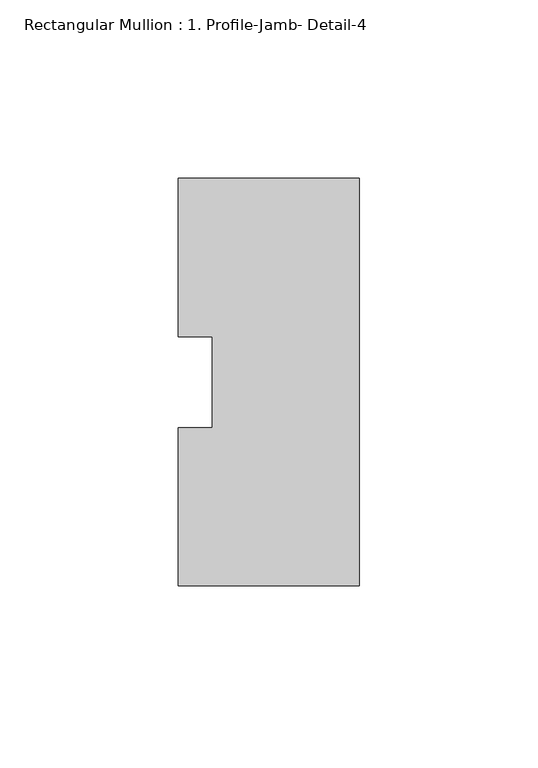
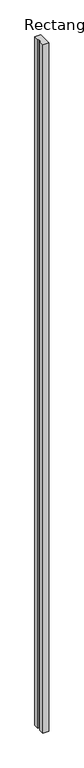
"""IFC4 building model written with IfcOpenShell, lengths in millimetres: member geometry, Rectangular Mullion : 1. Profile-Jamb- Detail-4."""

from ifc_helpers import new_model, si_unit, frame, origin, place, context, project, spatial, polyline, outline, extrude, source, transform, mapped, element, save


def rectangular_mullion_1_profile_jamb_detail_4_7cef6aa9(model_context):
    return source(origin(), model_context, "Body", "SweptSolid", [
        extrude(outline(polyline([(0.0, -57.1484125), (-50.8, -57.1484125), (-50.8, -12.7311082), (-41.275, -12.7311082), (-41.275, 12.7565901), (-50.8, 12.7565901), (-50.8, 57.1515875), (0.0, 57.1646685), (0.0, -57.1484125)])), frame((0.0, 0.0, -6096.0), z_axis=(0.0, 0.0, 1.0), x_axis=(1.0, 0.0, 0.0)), (0.0, 0.0, 1.0), 6096.0),
    ])


if __name__ == "__main__":
    model = new_model("IFC4")
    model_context = context("Model", 3, world=origin())
    ifc_project = project(units=[si_unit("LENGTHUNIT", "METRE", prefix="MILLI")], contexts=[model_context])
    site = spatial("IfcSite", under=ifc_project)
    building = spatial("IfcBuilding", under=site)
    placement = place(None, origin())
    rectangular_mullion_1_profile_jamb_detail_4_shape = rectangular_mullion_1_profile_jamb_detail_4_7cef6aa9(model_context)
    element("IfcMember", 1, ObjectType="Rectangular Mullion : 1. Profile-Jamb- Detail-4", at=placement, inside=building, context=model_context, shape_type="MappedRepresentation", body=[
        mapped(rectangular_mullion_1_profile_jamb_detail_4_shape, transform((0.0, 0.0, 0.0), x_axis=(1.0, 0.0, 0.0), y_axis=(0.0, 1.0, 0.0), z_axis=(0.0, 0.0, 1.0))),
    ])
    save(model, "model.ifc")
